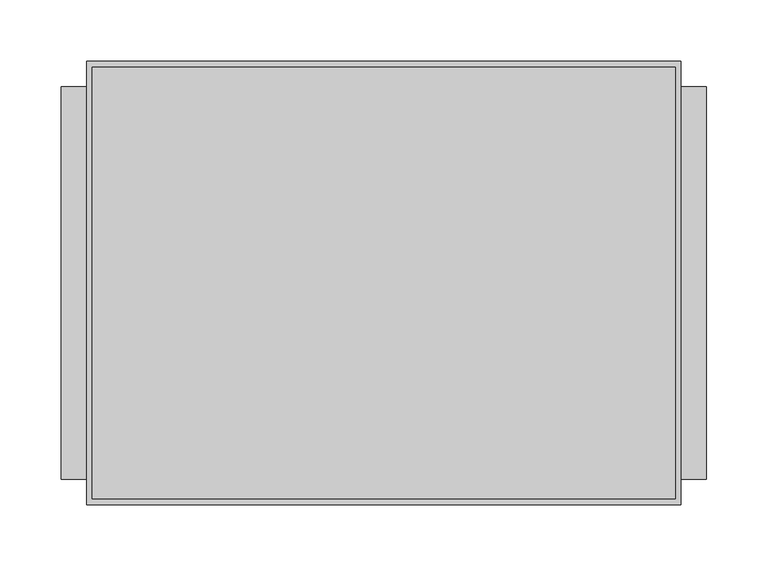
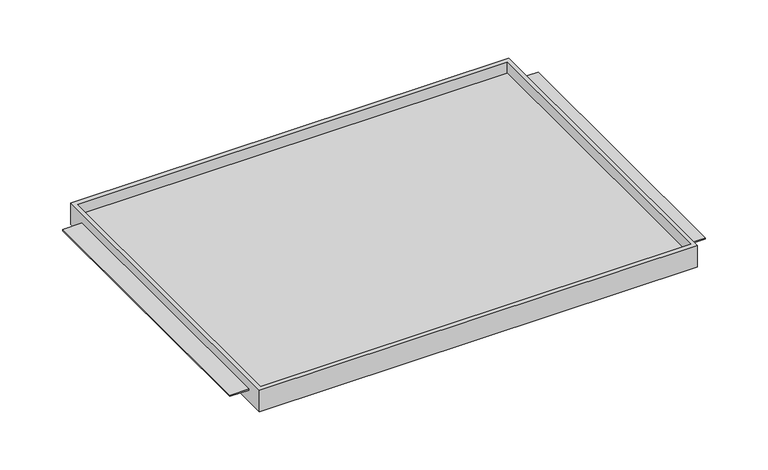
"""IFC4 building model written with IfcOpenShell, lengths in millimetres: furniture geometry."""

from ifc_helpers import new_model, si_unit, origin, place, context, project, spatial, faceted_brep, source, transform, mapped, element, save


def furniture_d8aeaef4(model_context):
    return source(origin(), model_context, "Body", "Brep", [
        faceted_brep([(-242.7689646, -180.975, 1405.8519), (242.7689646, -180.975, 1405.8519), (242.7689646, -180.975, 1431.2519), (-242.7689646, -180.975, 1431.2519), (-242.7689646, 180.975, 1405.8519), (-242.7689646, 180.975, 1431.2519), (242.7689646, 180.975, 1431.2519), (242.7689646, 180.975, 1405.8519), (242.7689646, -160.3374879, 1420.1521), (242.7689646, 160.3374879, 1420.1521), (242.7689646, 160.3374879, 1418.5519), (242.7689646, -160.3374879, 1418.5519), (238.125, -176.2125, 1431.2519), (-238.125, -176.2125, 1431.2519), (-238.125, 175.91278, 1431.2519), (238.125, 175.91278, 1431.2519), (-242.7689646, 160.3374879, 1420.1521), (-242.7689646, -160.3374879, 1420.1521), (-242.7689646, -160.3374879, 1418.5519), (-242.7689646, 160.3374879, 1418.5519), (-238.125, -176.2125, 1418.5519), (238.125, -176.2125, 1418.5519), (238.125, 175.91278, 1418.5519), (-238.125, 175.91278, 1418.5519), (-263.525, 160.3374879, 1420.1521), (-263.525, -160.3374879, 1420.1521), (263.525, -160.3374879, 1420.1521), (263.525, 160.3374879, 1420.1521), (-263.525, -160.3374879, 1418.5519), (-263.525, 160.3374879, 1418.5519), (263.525, -160.3374879, 1418.5519), (263.525, 160.3374879, 1418.5519)], [[[0, 1, 2, 3]], [[4, 5, 6, 7]], [[1, 0, 4, 7]], [[2, 1, 7, 6], [8, 9, 10, 11]], [[3, 2, 6, 5], [12, 13, 14, 15]], [[0, 3, 5, 4], [16, 17, 18, 19]], [[20, 21, 22, 23]], [[21, 20, 13, 12]], [[22, 21, 12, 15]], [[23, 22, 15, 14]], [[20, 23, 14, 13]], [[16, 24, 25, 17]], [[26, 27, 9, 8]], [[18, 28, 29, 19]], [[30, 11, 10, 31]], [[24, 16, 19, 29]], [[25, 24, 29, 28]], [[17, 25, 28, 18]], [[27, 26, 30, 31]], [[9, 27, 31, 10]], [[26, 8, 11, 30]]]),
    ])


if __name__ == "__main__":
    model = new_model("IFC4")
    model_context = context("Model", 3, world=origin())
    ifc_project = project(units=[si_unit("LENGTHUNIT", "METRE", prefix="MILLI")], contexts=[model_context])
    site = spatial("IfcSite", under=ifc_project)
    building = spatial("IfcBuilding", under=site)
    placement = place(None, origin())
    furniture_shape = furniture_d8aeaef4(model_context)
    element("IfcFurniture", 1, at=placement, inside=building, context=model_context, shape_type="MappedRepresentation", body=[
        mapped(furniture_shape, transform((0.0, 0.0, 0.0), x_axis=(1.0, 0.0, 0.0), y_axis=(0.0, 1.0, 0.0), z_axis=(0.0, 0.0, 1.0))),
    ])
    save(model, "model.ifc")
